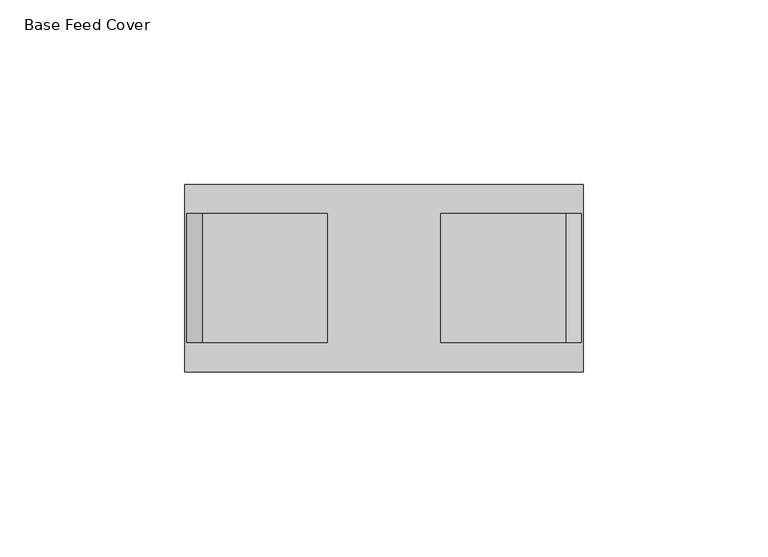
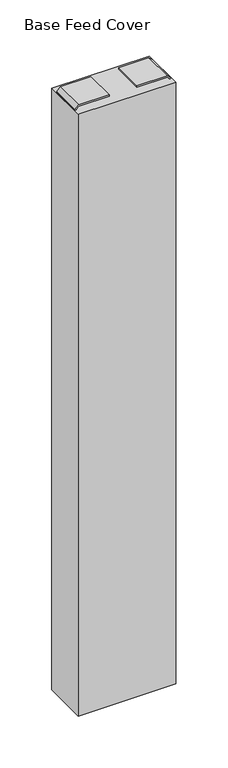
"""IFC4 building model written with IfcOpenShell, lengths in millimetres: furniture geometry, Base Feed Cover."""

from ifc_helpers import new_model, si_unit, frame, origin, origin_with_axes, place, context, project, spatial, polyline, outline, extrude, source, transform, mapped, element, save


def base_feed_cover_b9062040(model_context):
    return source(origin(), model_context, "Body", "SweptSolid", [
        extrude(outline(polyline([(711.2, 231.2670732), (709.4219835, 231.2670732), (709.4219835, 265.0490773), (706.8819496, 267.5890749), (629.9200048, 267.5890749), (629.9200048, 269.3670732), (706.8820041, 269.3670732), (711.2, 265.0490773), (711.2, 231.2670732)])), frame((0.0, -217.2159766, 0.0), z_axis=(0.0, 1.0, 0.0), x_axis=(0.0, 0.0, 1.0)), (0.0, 0.0, 1.0), 34.925),
        extrude(outline(polyline([(711.2, 200.5329268), (711.2, 166.7509227), (706.8820041, 162.4329268), (629.9200048, 162.4329268), (629.9200048, 164.2109251), (706.8819496, 164.2109251), (709.4219835, 166.7509227), (709.4219835, 200.5329268), (711.2, 200.5329268)])), frame((0.0, -217.2159766, 0.0), z_axis=(0.0, 1.0, 0.0), x_axis=(0.0, 0.0, 1.0)), (0.0, 0.0, 1.0), 34.925),
        extrude(outline(polyline([(269.875, -174.3534766), (269.875, -225.1534766), (161.925, -225.1534766), (161.925, -174.3534766), (269.875, -174.3534766)])), origin_with_axes(), (0.0, 0.0, 1.0), 706.4375),
    ])


if __name__ == "__main__":
    model = new_model("IFC4")
    model_context = context("Model", 3, world=origin())
    ifc_project = project(units=[si_unit("LENGTHUNIT", "METRE", prefix="MILLI")], contexts=[model_context])
    site = spatial("IfcSite", under=ifc_project)
    building = spatial("IfcBuilding", under=site)
    placement = place(None, origin())
    base_feed_cover_shape = base_feed_cover_b9062040(model_context)
    element("IfcFurniture", 1, ObjectType="Base Feed Cover", at=placement, inside=building, context=model_context, shape_type="MappedRepresentation", body=[
        mapped(base_feed_cover_shape, transform((0.0, 0.0, 0.0), x_axis=(1.0, 0.0, 0.0), y_axis=(0.0, 1.0, 0.0), z_axis=(0.0, 0.0, 1.0))),
    ])
    save(model, "model.ifc")
